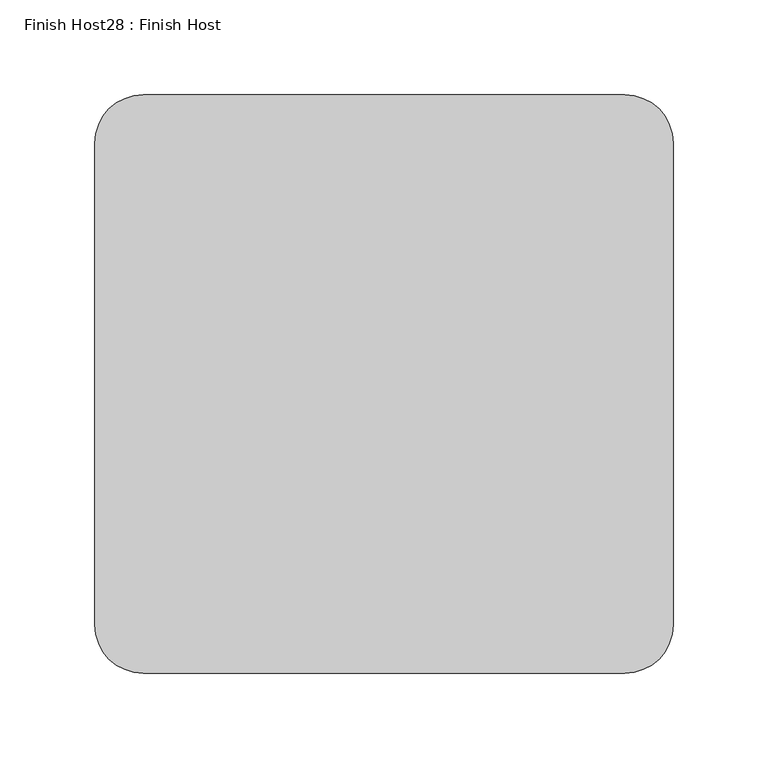
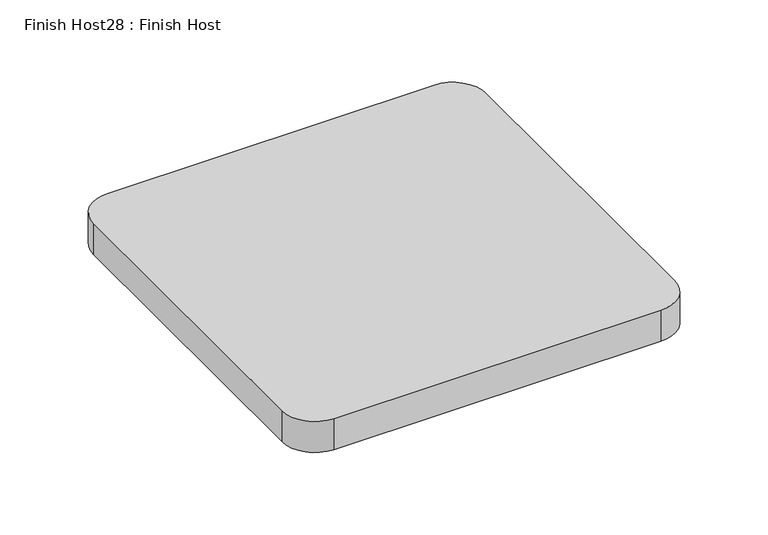
"""IFC4 building model written with IfcOpenShell, lengths in millimetres: proxy geometry, Finish Host28 : Finish Host."""

from ifc_helpers import new_model, si_unit, point, frame_2d, origin, origin_with_axes, place, context, project, spatial, polyline, circle_curve, trimmed, segment, composite_curve, outline, extrude, source, transform, mapped, element, save


def finish_host28_finish_host_be67d0bb(model_context):
    return source(origin(), model_context, "Body", "SweptSolid", [
        extrude(outline(composite_curve([segment(polyline([(1953.0934426, 546.4122951), (1953.0934426, 800.4122951)]), True, "CONTINUOUS"), segment(trimmed(circle_curve(frame_2d((1978.4934426, 800.4122951)), 25.4), [point((1953.0934426, 800.4122951))], [point((1978.4934426, 825.8122951))], False, "CARTESIAN"), True, "CONTINUOUS"), segment(polyline([(1978.4934426, 825.8122951), (2232.4934426, 825.8122951)]), True, "CONTINUOUS"), segment(trimmed(circle_curve(frame_2d((2232.4934426, 800.4122951)), 25.4), [point((2232.4934426, 825.8122951))], [point((2257.8934426, 800.4122951))], False, "CARTESIAN"), True, "CONTINUOUS"), segment(polyline([(2257.8934426, 800.4122951), (2257.8934426, 546.4122951)]), True, "CONTINUOUS"), segment(trimmed(circle_curve(frame_2d((2232.4934426, 546.4122951)), 25.4), [point((2257.8934426, 546.4122951))], [point((2232.4934426, 521.0122951))], False, "CARTESIAN"), True, "CONTINUOUS"), segment(polyline([(2232.4934426, 521.0122951), (1978.4934426, 521.0122951)]), True, "CONTINUOUS"), segment(trimmed(circle_curve(frame_2d((1978.4934426, 546.4122951)), 25.4), [point((1978.4934426, 521.0122951))], [point((1953.0934426, 546.4122951))], False, "CARTESIAN"), True, "CONTINUOUS")], self_intersect=False)), origin_with_axes(), (0.0, 0.0, 1.0), 25.4),
    ])


if __name__ == "__main__":
    model = new_model("IFC4")
    model_context = context("Model", 3, world=origin())
    ifc_project = project(units=[si_unit("LENGTHUNIT", "METRE", prefix="MILLI")], contexts=[model_context])
    site = spatial("IfcSite", under=ifc_project)
    building = spatial("IfcBuilding", under=site)
    placement = place(None, origin())
    finish_host28_finish_host_shape = finish_host28_finish_host_be67d0bb(model_context)
    element("IfcBuildingElementProxy", 1, Name="Finish Host28 : Finish Host", ObjectType="Finish Host28 : Finish Host", at=placement, inside=building, context=model_context, shape_type="MappedRepresentation", body=[
        mapped(finish_host28_finish_host_shape, transform((0.0, 0.0, 0.0), x_axis=(1.0, 0.0, 0.0), y_axis=(0.0, 1.0, 0.0), z_axis=(0.0, 0.0, 1.0))),
    ])
    save(model, "model.ifc")
